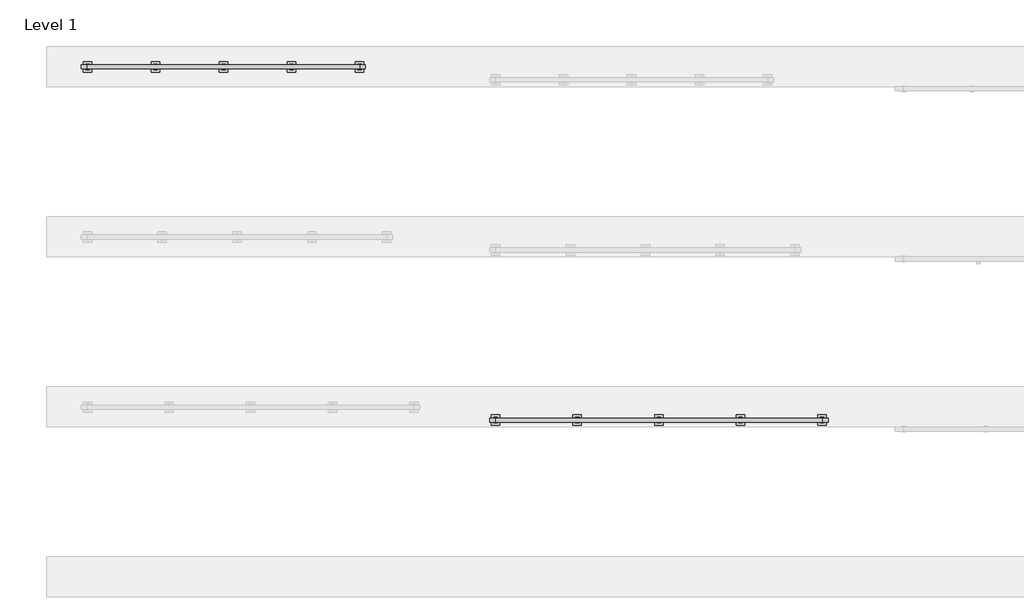
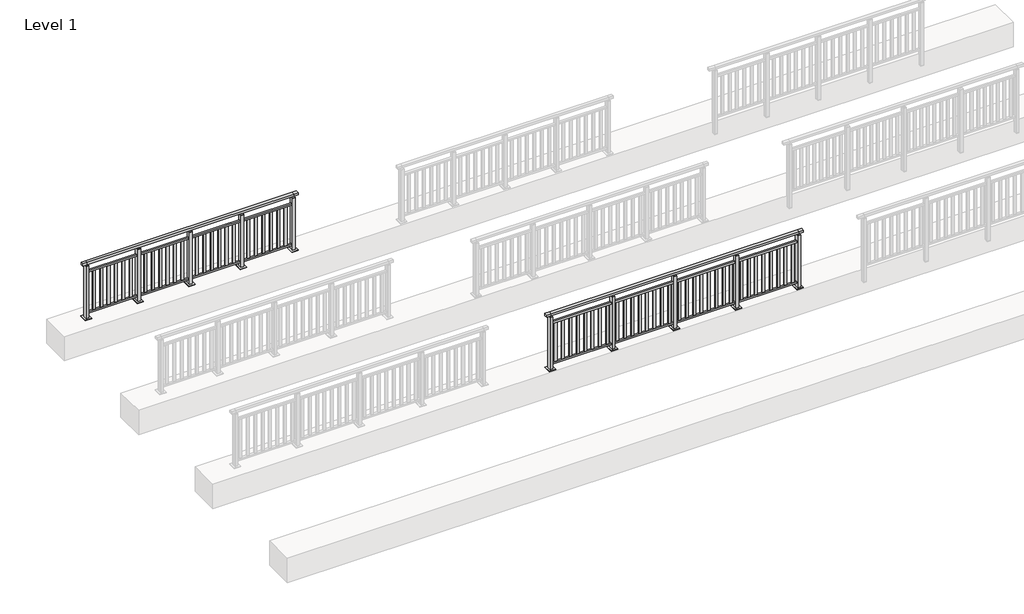
# One storey, part 23 of 38: 2 railings.
"""IFC4 building model written with IfcOpenShell, lengths in millimetres."""

from ifc_helpers import new_model, si_unit, frame, origin, origin_with_axes, place, context, project, spatial, polyline, outline, extrude, faceted_brep, element, save

model = new_model("IFC4")

# Units and contexts
model_context = context("Model", 3, world=origin())
ifc_project = project(units=[si_unit("LENGTHUNIT", "METRE", prefix="MILLI")], contexts=[model_context])

# Site, building, storey
site = spatial("IfcSite", under=ifc_project)
building = spatial("IfcBuilding", under=site)
storey = spatial("IfcBuildingStorey", under=building, Name="Level 1", Elevation=0.0)

# Railings
placement = place(None, origin())
element("IfcRailing", 1, at=placement, inside=storey, context=model_context, shape_type="SolidModel", body=[
    faceted_brep([(6000.0, 32530.1846828, 1102.5), (6000.0, 32530.1846828, 1150.0), (10800.0, 32530.1846828, 1150.0), (10800.0, 32530.1846828, 1102.5), (6000.0, 32470.1846828, 1102.5), (10800.0, 32470.1846828, 1102.5), (6000.0, 32470.1846828, 1150.0), (10800.0, 32470.1846828, 1150.0), (5912.5, 32530.1846828, 1150.0), (5912.5, 32530.1846828, 1102.5), (5912.5, 32470.1846828, 1102.5), (5912.5, 32470.1846828, 1150.0), (10887.5, 32530.1846828, 1150.0), (10887.5, 32470.1846828, 1150.0), (10887.5, 32470.1846828, 1102.5), (10887.5, 32530.1846828, 1102.5)], [[[0, 1, 2, 3]], [[4, 0, 3, 5]], [[6, 4, 5, 7]], [[1, 6, 7, 2]], [[8, 9, 10, 11]], [[9, 8, 1, 0]], [[10, 9, 0, 4]], [[11, 10, 4, 6]], [[8, 11, 6, 1]], [[12, 13, 14, 15]], [[3, 2, 12, 15]], [[5, 3, 15, 14]], [[7, 5, 14, 13]], [[2, 7, 13, 12]]]),
    extrude(outline(polyline([(6000.0, 32482.1846828), (6000.0, 32518.1846828), (10800.0, 32518.1846828), (10800.0, 32482.1846828), (6000.0, 32482.1846828)])), frame((0.0, 0.0, 928.0), z_axis=(0.0, 0.0, 1.0), x_axis=(1.0, 0.0, 0.0)), (0.0, 0.0, 1.0), 32.0),
    extrude(outline(polyline([(6000.0, 32482.1846828), (6000.0, 32518.1846828), (10800.0, 32518.1846828), (10800.0, 32482.1846828), (6000.0, 32482.1846828)])), frame((0.0, 0.0, 93.0), z_axis=(0.0, 0.0, 1.0), x_axis=(1.0, 0.0, 0.0)), (0.0, 0.0, 1.0), 32.0),
    extrude(outline(polyline([(10725.7345679, 32508.6846828), (10725.7345679, 32491.6846828), (10676.7345679, 32491.6846828), (10676.7345679, 32508.6846828), (10725.7345679, 32508.6846828)])), frame((0.0, 0.0, 125.0), z_axis=(0.0, 0.0, 1.0), x_axis=(1.0, 0.0, 0.0)), (0.0, 0.0, 1.0), 803.0),
    extrude(outline(polyline([(10582.5246914, 32508.6846828), (10582.5246914, 32491.6846828), (10533.5246914, 32491.6846828), (10533.5246914, 32508.6846828), (10582.5246914, 32508.6846828)])), frame((0.0, 0.0, 125.0), z_axis=(0.0, 0.0, 1.0), x_axis=(1.0, 0.0, 0.0)), (0.0, 0.0, 1.0), 803.0),
    extrude(outline(polyline([(10439.3148148, 32508.6846828), (10439.3148148, 32491.6846828), (10390.3148148, 32491.6846828), (10390.3148148, 32508.6846828), (10439.3148148, 32508.6846828)])), frame((0.0, 0.0, 125.0), z_axis=(0.0, 0.0, 1.0), x_axis=(1.0, 0.0, 0.0)), (0.0, 0.0, 1.0), 803.0),
    extrude(outline(polyline([(10296.1049383, 32508.6846828), (10296.1049383, 32491.6846828), (10247.1049383, 32491.6846828), (10247.1049383, 32508.6846828), (10296.1049383, 32508.6846828)])), frame((0.0, 0.0, 125.0), z_axis=(0.0, 0.0, 1.0), x_axis=(1.0, 0.0, 0.0)), (0.0, 0.0, 1.0), 803.0),
    extrude(outline(polyline([(10152.8950617, 32508.6846828), (10152.8950617, 32491.6846828), (10103.8950617, 32491.6846828), (10103.8950617, 32508.6846828), (10152.8950617, 32508.6846828)])), frame((0.0, 0.0, 125.0), z_axis=(0.0, 0.0, 1.0), x_axis=(1.0, 0.0, 0.0)), (0.0, 0.0, 1.0), 803.0),
    extrude(outline(polyline([(10009.6851852, 32508.6846828), (10009.6851852, 32491.6846828), (9960.6851852, 32491.6846828), (9960.6851852, 32508.6846828), (10009.6851852, 32508.6846828)])), frame((0.0, 0.0, 125.0), z_axis=(0.0, 0.0, 1.0), x_axis=(1.0, 0.0, 0.0)), (0.0, 0.0, 1.0), 803.0),
    extrude(outline(polyline([(9866.4753086, 32508.6846828), (9866.4753086, 32491.6846828), (9817.4753086, 32491.6846828), (9817.4753086, 32508.6846828), (9866.4753086, 32508.6846828)])), frame((0.0, 0.0, 125.0), z_axis=(0.0, 0.0, 1.0), x_axis=(1.0, 0.0, 0.0)), (0.0, 0.0, 1.0), 803.0),
    extrude(outline(polyline([(9723.2654321, 32508.6846828), (9723.2654321, 32491.6846828), (9674.2654321, 32491.6846828), (9674.2654321, 32508.6846828), (9723.2654321, 32508.6846828)])), frame((0.0, 0.0, 125.0), z_axis=(0.0, 0.0, 1.0), x_axis=(1.0, 0.0, 0.0)), (0.0, 0.0, 1.0), 803.0),
    extrude(outline(polyline([(9610.0, 32490.1846828), (9590.0, 32490.1846828), (9590.0, 32510.1846828), (9610.0, 32510.1846828), (9610.0, 32490.1846828)])), frame((0.0, 0.0, 1085.0), z_axis=(0.0, 0.0, 1.0), x_axis=(1.0, 0.0, 0.0)), (0.0, 0.0, 1.0), 20.0),
    extrude(outline(polyline([(9627.0, 32461.1846828), (9573.0, 32461.1846828), (9573.0, 32539.1846828), (9627.0, 32539.1846828), (9627.0, 32461.1846828)])), frame((0.0, 0.0, 1077.0), z_axis=(0.0, 0.0, 1.0), x_axis=(1.0, 0.0, 0.0)), (0.0, 0.0, 1.0), 8.0),
    extrude(outline(polyline([(9662.5, 32425.1846828), (9537.5, 32425.1846828), (9537.5, 32575.1846828), (9662.5, 32575.1846828), (9662.5, 32425.1846828)])), origin_with_axes(), (0.0, 0.0, 1.0), 12.0),
    extrude(outline(polyline([(9627.0, 32461.1846828), (9573.0, 32461.1846828), (9573.0, 32539.1846828), (9627.0, 32539.1846828), (9627.0, 32461.1846828)])), frame((0.0, 0.0, 12.0), z_axis=(0.0, 0.0, 1.0), x_axis=(1.0, 0.0, 0.0)), (0.0, 0.0, 1.0), 1065.0),
    extrude(outline(polyline([(9525.7345679, 32508.6846828), (9525.7345679, 32491.6846828), (9476.7345679, 32491.6846828), (9476.7345679, 32508.6846828), (9525.7345679, 32508.6846828)])), frame((0.0, 0.0, 125.0), z_axis=(0.0, 0.0, 1.0), x_axis=(1.0, 0.0, 0.0)), (0.0, 0.0, 1.0), 803.0),
    extrude(outline(polyline([(9382.5246914, 32508.6846828), (9382.5246914, 32491.6846828), (9333.5246914, 32491.6846828), (9333.5246914, 32508.6846828), (9382.5246914, 32508.6846828)])), frame((0.0, 0.0, 125.0), z_axis=(0.0, 0.0, 1.0), x_axis=(1.0, 0.0, 0.0)), (0.0, 0.0, 1.0), 803.0),
    extrude(outline(polyline([(9239.3148148, 32508.6846828), (9239.3148148, 32491.6846828), (9190.3148148, 32491.6846828), (9190.3148148, 32508.6846828), (9239.3148148, 32508.6846828)])), frame((0.0, 0.0, 125.0), z_axis=(0.0, 0.0, 1.0), x_axis=(1.0, 0.0, 0.0)), (0.0, 0.0, 1.0), 803.0),
    extrude(outline(polyline([(9096.1049383, 32508.6846828), (9096.1049383, 32491.6846828), (9047.1049383, 32491.6846828), (9047.1049383, 32508.6846828), (9096.1049383, 32508.6846828)])), frame((0.0, 0.0, 125.0), z_axis=(0.0, 0.0, 1.0), x_axis=(1.0, 0.0, 0.0)), (0.0, 0.0, 1.0), 803.0),
    extrude(outline(polyline([(8952.8950617, 32508.6846828), (8952.8950617, 32491.6846828), (8903.8950617, 32491.6846828), (8903.8950617, 32508.6846828), (8952.8950617, 32508.6846828)])), frame((0.0, 0.0, 125.0), z_axis=(0.0, 0.0, 1.0), x_axis=(1.0, 0.0, 0.0)), (0.0, 0.0, 1.0), 803.0),
    extrude(outline(polyline([(8809.6851852, 32508.6846828), (8809.6851852, 32491.6846828), (8760.6851852, 32491.6846828), (8760.6851852, 32508.6846828), (8809.6851852, 32508.6846828)])), frame((0.0, 0.0, 125.0), z_axis=(0.0, 0.0, 1.0), x_axis=(1.0, 0.0, 0.0)), (0.0, 0.0, 1.0), 803.0),
    extrude(outline(polyline([(8666.4753086, 32508.6846828), (8666.4753086, 32491.6846828), (8617.4753086, 32491.6846828), (8617.4753086, 32508.6846828), (8666.4753086, 32508.6846828)])), frame((0.0, 0.0, 125.0), z_axis=(0.0, 0.0, 1.0), x_axis=(1.0, 0.0, 0.0)), (0.0, 0.0, 1.0), 803.0),
    extrude(outline(polyline([(8523.2654321, 32508.6846828), (8523.2654321, 32491.6846828), (8474.2654321, 32491.6846828), (8474.2654321, 32508.6846828), (8523.2654321, 32508.6846828)])), frame((0.0, 0.0, 125.0), z_axis=(0.0, 0.0, 1.0), x_axis=(1.0, 0.0, 0.0)), (0.0, 0.0, 1.0), 803.0),
    extrude(outline(polyline([(8410.0, 32490.1846828), (8390.0, 32490.1846828), (8390.0, 32510.1846828), (8410.0, 32510.1846828), (8410.0, 32490.1846828)])), frame((0.0, 0.0, 1085.0), z_axis=(0.0, 0.0, 1.0), x_axis=(1.0, 0.0, 0.0)), (0.0, 0.0, 1.0), 20.0),
    extrude(outline(polyline([(8427.0, 32461.1846828), (8373.0, 32461.1846828), (8373.0, 32539.1846828), (8427.0, 32539.1846828), (8427.0, 32461.1846828)])), frame((0.0, 0.0, 1077.0), z_axis=(0.0, 0.0, 1.0), x_axis=(1.0, 0.0, 0.0)), (0.0, 0.0, 1.0), 8.0),
    extrude(outline(polyline([(8462.5, 32425.1846828), (8337.5, 32425.1846828), (8337.5, 32575.1846828), (8462.5, 32575.1846828), (8462.5, 32425.1846828)])), origin_with_axes(), (0.0, 0.0, 1.0), 12.0),
    extrude(outline(polyline([(8427.0, 32461.1846828), (8373.0, 32461.1846828), (8373.0, 32539.1846828), (8427.0, 32539.1846828), (8427.0, 32461.1846828)])), frame((0.0, 0.0, 12.0), z_axis=(0.0, 0.0, 1.0), x_axis=(1.0, 0.0, 0.0)), (0.0, 0.0, 1.0), 1065.0),
    extrude(outline(polyline([(8325.7345679, 32508.6846828), (8325.7345679, 32491.6846828), (8276.7345679, 32491.6846828), (8276.7345679, 32508.6846828), (8325.7345679, 32508.6846828)])), frame((0.0, 0.0, 125.0), z_axis=(0.0, 0.0, 1.0), x_axis=(1.0, 0.0, 0.0)), (0.0, 0.0, 1.0), 803.0),
    extrude(outline(polyline([(8182.5246914, 32508.6846828), (8182.5246914, 32491.6846828), (8133.5246914, 32491.6846828), (8133.5246914, 32508.6846828), (8182.5246914, 32508.6846828)])), frame((0.0, 0.0, 125.0), z_axis=(0.0, 0.0, 1.0), x_axis=(1.0, 0.0, 0.0)), (0.0, 0.0, 1.0), 803.0),
    extrude(outline(polyline([(8039.3148148, 32508.6846828), (8039.3148148, 32491.6846828), (7990.3148148, 32491.6846828), (7990.3148148, 32508.6846828), (8039.3148148, 32508.6846828)])), frame((0.0, 0.0, 125.0), z_axis=(0.0, 0.0, 1.0), x_axis=(1.0, 0.0, 0.0)), (0.0, 0.0, 1.0), 803.0),
    extrude(outline(polyline([(7896.1049383, 32508.6846828), (7896.1049383, 32491.6846828), (7847.1049383, 32491.6846828), (7847.1049383, 32508.6846828), (7896.1049383, 32508.6846828)])), frame((0.0, 0.0, 125.0), z_axis=(0.0, 0.0, 1.0), x_axis=(1.0, 0.0, 0.0)), (0.0, 0.0, 1.0), 803.0),
    extrude(outline(polyline([(7752.8950617, 32508.6846828), (7752.8950617, 32491.6846828), (7703.8950617, 32491.6846828), (7703.8950617, 32508.6846828), (7752.8950617, 32508.6846828)])), frame((0.0, 0.0, 125.0), z_axis=(0.0, 0.0, 1.0), x_axis=(1.0, 0.0, 0.0)), (0.0, 0.0, 1.0), 803.0),
    extrude(outline(polyline([(7609.6851852, 32508.6846828), (7609.6851852, 32491.6846828), (7560.6851852, 32491.6846828), (7560.6851852, 32508.6846828), (7609.6851852, 32508.6846828)])), frame((0.0, 0.0, 125.0), z_axis=(0.0, 0.0, 1.0), x_axis=(1.0, 0.0, 0.0)), (0.0, 0.0, 1.0), 803.0),
    extrude(outline(polyline([(7466.4753086, 32508.6846828), (7466.4753086, 32491.6846828), (7417.4753086, 32491.6846828), (7417.4753086, 32508.6846828), (7466.4753086, 32508.6846828)])), frame((0.0, 0.0, 125.0), z_axis=(0.0, 0.0, 1.0), x_axis=(1.0, 0.0, 0.0)), (0.0, 0.0, 1.0), 803.0),
    extrude(outline(polyline([(7323.2654321, 32508.6846828), (7323.2654321, 32491.6846828), (7274.2654321, 32491.6846828), (7274.2654321, 32508.6846828), (7323.2654321, 32508.6846828)])), frame((0.0, 0.0, 125.0), z_axis=(0.0, 0.0, 1.0), x_axis=(1.0, 0.0, 0.0)), (0.0, 0.0, 1.0), 803.0),
    extrude(outline(polyline([(7210.0, 32490.1846828), (7190.0, 32490.1846828), (7190.0, 32510.1846828), (7210.0, 32510.1846828), (7210.0, 32490.1846828)])), frame((0.0, 0.0, 1085.0), z_axis=(0.0, 0.0, 1.0), x_axis=(1.0, 0.0, 0.0)), (0.0, 0.0, 1.0), 20.0),
    extrude(outline(polyline([(7227.0, 32461.1846828), (7173.0, 32461.1846828), (7173.0, 32539.1846828), (7227.0, 32539.1846828), (7227.0, 32461.1846828)])), frame((0.0, 0.0, 1077.0), z_axis=(0.0, 0.0, 1.0), x_axis=(1.0, 0.0, 0.0)), (0.0, 0.0, 1.0), 8.0),
    extrude(outline(polyline([(7262.5, 32425.1846828), (7137.5, 32425.1846828), (7137.5, 32575.1846828), (7262.5, 32575.1846828), (7262.5, 32425.1846828)])), origin_with_axes(), (0.0, 0.0, 1.0), 12.0),
    extrude(outline(polyline([(7227.0, 32461.1846828), (7173.0, 32461.1846828), (7173.0, 32539.1846828), (7227.0, 32539.1846828), (7227.0, 32461.1846828)])), frame((0.0, 0.0, 12.0), z_axis=(0.0, 0.0, 1.0), x_axis=(1.0, 0.0, 0.0)), (0.0, 0.0, 1.0), 1065.0),
    extrude(outline(polyline([(7125.7345679, 32508.6846828), (7125.7345679, 32491.6846828), (7076.7345679, 32491.6846828), (7076.7345679, 32508.6846828), (7125.7345679, 32508.6846828)])), frame((0.0, 0.0, 125.0), z_axis=(0.0, 0.0, 1.0), x_axis=(1.0, 0.0, 0.0)), (0.0, 0.0, 1.0), 803.0),
    extrude(outline(polyline([(6982.5246914, 32508.6846828), (6982.5246914, 32491.6846828), (6933.5246914, 32491.6846828), (6933.5246914, 32508.6846828), (6982.5246914, 32508.6846828)])), frame((0.0, 0.0, 125.0), z_axis=(0.0, 0.0, 1.0), x_axis=(1.0, 0.0, 0.0)), (0.0, 0.0, 1.0), 803.0),
    extrude(outline(polyline([(6839.3148148, 32508.6846828), (6839.3148148, 32491.6846828), (6790.3148148, 32491.6846828), (6790.3148148, 32508.6846828), (6839.3148148, 32508.6846828)])), frame((0.0, 0.0, 125.0), z_axis=(0.0, 0.0, 1.0), x_axis=(1.0, 0.0, 0.0)), (0.0, 0.0, 1.0), 803.0),
    extrude(outline(polyline([(6696.1049383, 32508.6846828), (6696.1049383, 32491.6846828), (6647.1049383, 32491.6846828), (6647.1049383, 32508.6846828), (6696.1049383, 32508.6846828)])), frame((0.0, 0.0, 125.0), z_axis=(0.0, 0.0, 1.0), x_axis=(1.0, 0.0, 0.0)), (0.0, 0.0, 1.0), 803.0),
    extrude(outline(polyline([(6552.8950617, 32508.6846828), (6552.8950617, 32491.6846828), (6503.8950617, 32491.6846828), (6503.8950617, 32508.6846828), (6552.8950617, 32508.6846828)])), frame((0.0, 0.0, 125.0), z_axis=(0.0, 0.0, 1.0), x_axis=(1.0, 0.0, 0.0)), (0.0, 0.0, 1.0), 803.0),
    extrude(outline(polyline([(6409.6851852, 32508.6846828), (6409.6851852, 32491.6846828), (6360.6851852, 32491.6846828), (6360.6851852, 32508.6846828), (6409.6851852, 32508.6846828)])), frame((0.0, 0.0, 125.0), z_axis=(0.0, 0.0, 1.0), x_axis=(1.0, 0.0, 0.0)), (0.0, 0.0, 1.0), 803.0),
    extrude(outline(polyline([(6266.4753086, 32508.6846828), (6266.4753086, 32491.6846828), (6217.4753086, 32491.6846828), (6217.4753086, 32508.6846828), (6266.4753086, 32508.6846828)])), frame((0.0, 0.0, 125.0), z_axis=(0.0, 0.0, 1.0), x_axis=(1.0, 0.0, 0.0)), (0.0, 0.0, 1.0), 803.0),
    extrude(outline(polyline([(6123.2654321, 32508.6846828), (6123.2654321, 32491.6846828), (6074.2654321, 32491.6846828), (6074.2654321, 32508.6846828), (6123.2654321, 32508.6846828)])), frame((0.0, 0.0, 125.0), z_axis=(0.0, 0.0, 1.0), x_axis=(1.0, 0.0, 0.0)), (0.0, 0.0, 1.0), 803.0),
    extrude(outline(polyline([(10810.0, 32490.1846828), (10790.0, 32490.1846828), (10790.0, 32510.1846828), (10810.0, 32510.1846828), (10810.0, 32490.1846828)])), frame((0.0, 0.0, 1085.0), z_axis=(0.0, 0.0, 1.0), x_axis=(1.0, 0.0, 0.0)), (0.0, 0.0, 1.0), 20.0),
    extrude(outline(polyline([(10827.0, 32461.1846828), (10773.0, 32461.1846828), (10773.0, 32539.1846828), (10827.0, 32539.1846828), (10827.0, 32461.1846828)])), frame((0.0, 0.0, 1077.0), z_axis=(0.0, 0.0, 1.0), x_axis=(1.0, 0.0, 0.0)), (0.0, 0.0, 1.0), 8.0),
    extrude(outline(polyline([(10862.5, 32425.1846828), (10737.5, 32425.1846828), (10737.5, 32575.1846828), (10862.5, 32575.1846828), (10862.5, 32425.1846828)])), origin_with_axes(), (0.0, 0.0, 1.0), 12.0),
    extrude(outline(polyline([(10827.0, 32461.1846828), (10773.0, 32461.1846828), (10773.0, 32539.1846828), (10827.0, 32539.1846828), (10827.0, 32461.1846828)])), frame((0.0, 0.0, 12.0), z_axis=(0.0, 0.0, 1.0), x_axis=(1.0, 0.0, 0.0)), (0.0, 0.0, 1.0), 1065.0),
    extrude(outline(polyline([(6010.0, 32490.1846828), (5990.0, 32490.1846828), (5990.0, 32510.1846828), (6010.0, 32510.1846828), (6010.0, 32490.1846828)])), frame((0.0, 0.0, 1085.0), z_axis=(0.0, 0.0, 1.0), x_axis=(1.0, 0.0, 0.0)), (0.0, 0.0, 1.0), 20.0),
    extrude(outline(polyline([(6027.0, 32461.1846828), (5973.0, 32461.1846828), (5973.0, 32539.1846828), (6027.0, 32539.1846828), (6027.0, 32461.1846828)])), frame((0.0, 0.0, 1077.0), z_axis=(0.0, 0.0, 1.0), x_axis=(1.0, 0.0, 0.0)), (0.0, 0.0, 1.0), 8.0),
    extrude(outline(polyline([(6062.5, 32425.1846828), (5937.5, 32425.1846828), (5937.5, 32575.1846828), (6062.5, 32575.1846828), (6062.5, 32425.1846828)])), origin_with_axes(), (0.0, 0.0, 1.0), 12.0),
    extrude(outline(polyline([(6027.0, 32461.1846828), (5973.0, 32461.1846828), (5973.0, 32539.1846828), (6027.0, 32539.1846828), (6027.0, 32461.1846828)])), frame((0.0, 0.0, 12.0), z_axis=(0.0, 0.0, 1.0), x_axis=(1.0, 0.0, 0.0)), (0.0, 0.0, 1.0), 1065.0),
])
element("IfcRailing", 2, at=placement, inside=storey, context=model_context, shape_type="SolidModel", body=[
    faceted_brep([(0.0, 37720.1846828, 1102.5), (0.0, 37720.1846828, 1150.0), (4000.0, 37720.1846828, 1150.0), (4000.0, 37720.1846828, 1102.5), (0.0, 37660.1846828, 1102.5), (4000.0, 37660.1846828, 1102.5), (0.0, 37660.1846828, 1150.0), (4000.0, 37660.1846828, 1150.0), (-87.5, 37720.1846828, 1150.0), (-87.5, 37720.1846828, 1102.5), (-87.5, 37660.1846828, 1102.5), (-87.5, 37660.1846828, 1150.0), (4087.5, 37720.1846828, 1150.0), (4087.5, 37660.1846828, 1150.0), (4087.5, 37660.1846828, 1102.5), (4087.5, 37720.1846828, 1102.5)], [[[0, 1, 2, 3]], [[4, 0, 3, 5]], [[6, 4, 5, 7]], [[1, 6, 7, 2]], [[8, 9, 10, 11]], [[9, 8, 1, 0]], [[10, 9, 0, 4]], [[11, 10, 4, 6]], [[8, 11, 6, 1]], [[12, 13, 14, 15]], [[3, 2, 12, 15]], [[5, 3, 15, 14]], [[7, 5, 14, 13]], [[2, 7, 13, 12]]]),
    extrude(outline(polyline([(0.0, 37672.1846828), (0.0, 37708.1846828), (4000.0, 37708.1846828), (4000.0, 37672.1846828), (0.0, 37672.1846828)])), frame((0.0, 0.0, 928.0), z_axis=(0.0, 0.0, 1.0), x_axis=(1.0, 0.0, 0.0)), (0.0, 0.0, 1.0), 32.0),
    extrude(outline(polyline([(0.0, 37672.1846828), (0.0, 37708.1846828), (4000.0, 37708.1846828), (4000.0, 37672.1846828), (0.0, 37672.1846828)])), frame((0.0, 0.0, 93.0), z_axis=(0.0, 0.0, 1.0), x_axis=(1.0, 0.0, 0.0)), (0.0, 0.0, 1.0), 32.0),
    extrude(outline(polyline([(3884.480139, 37698.6846828), (3884.480139, 37681.6846828), (3835.480139, 37681.6846828), (3835.480139, 37698.6846828), (3884.480139, 37698.6846828)])), frame((0.0, 0.0, 125.0), z_axis=(0.0, 0.0, 1.0), x_axis=(1.0, 0.0, 0.0)), (0.0, 0.0, 1.0), 803.0),
    extrude(outline(polyline([(3740.4880834, 37698.6846828), (3740.4880834, 37681.6846828), (3691.4880834, 37681.6846828), (3691.4880834, 37698.6846828), (3740.4880834, 37698.6846828)])), frame((0.0, 0.0, 125.0), z_axis=(0.0, 0.0, 1.0), x_axis=(1.0, 0.0, 0.0)), (0.0, 0.0, 1.0), 803.0),
    extrude(outline(polyline([(3596.4960278, 37698.6846828), (3596.4960278, 37681.6846828), (3547.4960278, 37681.6846828), (3547.4960278, 37698.6846828), (3596.4960278, 37698.6846828)])), frame((0.0, 0.0, 125.0), z_axis=(0.0, 0.0, 1.0), x_axis=(1.0, 0.0, 0.0)), (0.0, 0.0, 1.0), 803.0),
    extrude(outline(polyline([(3452.5039722, 37698.6846828), (3452.5039722, 37681.6846828), (3403.5039722, 37681.6846828), (3403.5039722, 37698.6846828), (3452.5039722, 37698.6846828)])), frame((0.0, 0.0, 125.0), z_axis=(0.0, 0.0, 1.0), x_axis=(1.0, 0.0, 0.0)), (0.0, 0.0, 1.0), 803.0),
    extrude(outline(polyline([(3308.5119166, 37698.6846828), (3308.5119166, 37681.6846828), (3259.5119166, 37681.6846828), (3259.5119166, 37698.6846828), (3308.5119166, 37698.6846828)])), frame((0.0, 0.0, 125.0), z_axis=(0.0, 0.0, 1.0), x_axis=(1.0, 0.0, 0.0)), (0.0, 0.0, 1.0), 803.0),
    extrude(outline(polyline([(3164.519861, 37698.6846828), (3164.519861, 37681.6846828), (3115.519861, 37681.6846828), (3115.519861, 37698.6846828), (3164.519861, 37698.6846828)])), frame((0.0, 0.0, 125.0), z_axis=(0.0, 0.0, 1.0), x_axis=(1.0, 0.0, 0.0)), (0.0, 0.0, 1.0), 803.0),
    extrude(outline(polyline([(3010.0, 37680.1846828), (2990.0, 37680.1846828), (2990.0, 37700.1846828), (3010.0, 37700.1846828), (3010.0, 37680.1846828)])), frame((0.0, 0.0, 1085.0), z_axis=(0.0, 0.0, 1.0), x_axis=(1.0, 0.0, 0.0)), (0.0, 0.0, 1.0), 20.0),
    extrude(outline(polyline([(3027.0, 37651.1846828), (2973.0, 37651.1846828), (2973.0, 37729.1846828), (3027.0, 37729.1846828), (3027.0, 37651.1846828)])), frame((0.0, 0.0, 1077.0), z_axis=(0.0, 0.0, 1.0), x_axis=(1.0, 0.0, 0.0)), (0.0, 0.0, 1.0), 8.0),
    extrude(outline(polyline([(3062.5, 37615.1846828), (2937.5, 37615.1846828), (2937.5, 37765.1846828), (3062.5, 37765.1846828), (3062.5, 37615.1846828)])), origin_with_axes(), (0.0, 0.0, 1.0), 12.0),
    extrude(outline(polyline([(3027.0, 37651.1846828), (2973.0, 37651.1846828), (2973.0, 37729.1846828), (3027.0, 37729.1846828), (3027.0, 37651.1846828)])), frame((0.0, 0.0, 12.0), z_axis=(0.0, 0.0, 1.0), x_axis=(1.0, 0.0, 0.0)), (0.0, 0.0, 1.0), 1065.0),
    extrude(outline(polyline([(2884.480139, 37698.6846828), (2884.480139, 37681.6846828), (2835.480139, 37681.6846828), (2835.480139, 37698.6846828), (2884.480139, 37698.6846828)])), frame((0.0, 0.0, 125.0), z_axis=(0.0, 0.0, 1.0), x_axis=(1.0, 0.0, 0.0)), (0.0, 0.0, 1.0), 803.0),
    extrude(outline(polyline([(2740.4880834, 37698.6846828), (2740.4880834, 37681.6846828), (2691.4880834, 37681.6846828), (2691.4880834, 37698.6846828), (2740.4880834, 37698.6846828)])), frame((0.0, 0.0, 125.0), z_axis=(0.0, 0.0, 1.0), x_axis=(1.0, 0.0, 0.0)), (0.0, 0.0, 1.0), 803.0),
    extrude(outline(polyline([(2596.4960278, 37698.6846828), (2596.4960278, 37681.6846828), (2547.4960278, 37681.6846828), (2547.4960278, 37698.6846828), (2596.4960278, 37698.6846828)])), frame((0.0, 0.0, 125.0), z_axis=(0.0, 0.0, 1.0), x_axis=(1.0, 0.0, 0.0)), (0.0, 0.0, 1.0), 803.0),
    extrude(outline(polyline([(2452.5039722, 37698.6846828), (2452.5039722, 37681.6846828), (2403.5039722, 37681.6846828), (2403.5039722, 37698.6846828), (2452.5039722, 37698.6846828)])), frame((0.0, 0.0, 125.0), z_axis=(0.0, 0.0, 1.0), x_axis=(1.0, 0.0, 0.0)), (0.0, 0.0, 1.0), 803.0),
    extrude(outline(polyline([(2308.5119166, 37698.6846828), (2308.5119166, 37681.6846828), (2259.5119166, 37681.6846828), (2259.5119166, 37698.6846828), (2308.5119166, 37698.6846828)])), frame((0.0, 0.0, 125.0), z_axis=(0.0, 0.0, 1.0), x_axis=(1.0, 0.0, 0.0)), (0.0, 0.0, 1.0), 803.0),
    extrude(outline(polyline([(2164.519861, 37698.6846828), (2164.519861, 37681.6846828), (2115.519861, 37681.6846828), (2115.519861, 37698.6846828), (2164.519861, 37698.6846828)])), frame((0.0, 0.0, 125.0), z_axis=(0.0, 0.0, 1.0), x_axis=(1.0, 0.0, 0.0)), (0.0, 0.0, 1.0), 803.0),
    extrude(outline(polyline([(2010.0, 37680.1846828), (1990.0, 37680.1846828), (1990.0, 37700.1846828), (2010.0, 37700.1846828), (2010.0, 37680.1846828)])), frame((0.0, 0.0, 1085.0), z_axis=(0.0, 0.0, 1.0), x_axis=(1.0, 0.0, 0.0)), (0.0, 0.0, 1.0), 20.0),
    extrude(outline(polyline([(2027.0, 37651.1846828), (1973.0, 37651.1846828), (1973.0, 37729.1846828), (2027.0, 37729.1846828), (2027.0, 37651.1846828)])), frame((0.0, 0.0, 1077.0), z_axis=(0.0, 0.0, 1.0), x_axis=(1.0, 0.0, 0.0)), (0.0, 0.0, 1.0), 8.0),
    extrude(outline(polyline([(2062.5, 37615.1846828), (1937.5, 37615.1846828), (1937.5, 37765.1846828), (2062.5, 37765.1846828), (2062.5, 37615.1846828)])), origin_with_axes(), (0.0, 0.0, 1.0), 12.0),
    extrude(outline(polyline([(2027.0, 37651.1846828), (1973.0, 37651.1846828), (1973.0, 37729.1846828), (2027.0, 37729.1846828), (2027.0, 37651.1846828)])), frame((0.0, 0.0, 12.0), z_axis=(0.0, 0.0, 1.0), x_axis=(1.0, 0.0, 0.0)), (0.0, 0.0, 1.0), 1065.0),
    extrude(outline(polyline([(1884.480139, 37698.6846828), (1884.480139, 37681.6846828), (1835.480139, 37681.6846828), (1835.480139, 37698.6846828), (1884.480139, 37698.6846828)])), frame((0.0, 0.0, 125.0), z_axis=(0.0, 0.0, 1.0), x_axis=(1.0, 0.0, 0.0)), (0.0, 0.0, 1.0), 803.0),
    extrude(outline(polyline([(1740.4880834, 37698.6846828), (1740.4880834, 37681.6846828), (1691.4880834, 37681.6846828), (1691.4880834, 37698.6846828), (1740.4880834, 37698.6846828)])), frame((0.0, 0.0, 125.0), z_axis=(0.0, 0.0, 1.0), x_axis=(1.0, 0.0, 0.0)), (0.0, 0.0, 1.0), 803.0),
    extrude(outline(polyline([(1596.4960278, 37698.6846828), (1596.4960278, 37681.6846828), (1547.4960278, 37681.6846828), (1547.4960278, 37698.6846828), (1596.4960278, 37698.6846828)])), frame((0.0, 0.0, 125.0), z_axis=(0.0, 0.0, 1.0), x_axis=(1.0, 0.0, 0.0)), (0.0, 0.0, 1.0), 803.0),
    extrude(outline(polyline([(1452.5039722, 37698.6846828), (1452.5039722, 37681.6846828), (1403.5039722, 37681.6846828), (1403.5039722, 37698.6846828), (1452.5039722, 37698.6846828)])), frame((0.0, 0.0, 125.0), z_axis=(0.0, 0.0, 1.0), x_axis=(1.0, 0.0, 0.0)), (0.0, 0.0, 1.0), 803.0),
    extrude(outline(polyline([(1308.5119166, 37698.6846828), (1308.5119166, 37681.6846828), (1259.5119166, 37681.6846828), (1259.5119166, 37698.6846828), (1308.5119166, 37698.6846828)])), frame((0.0, 0.0, 125.0), z_axis=(0.0, 0.0, 1.0), x_axis=(1.0, 0.0, 0.0)), (0.0, 0.0, 1.0), 803.0),
    extrude(outline(polyline([(1164.519861, 37698.6846828), (1164.519861, 37681.6846828), (1115.519861, 37681.6846828), (1115.519861, 37698.6846828), (1164.519861, 37698.6846828)])), frame((0.0, 0.0, 125.0), z_axis=(0.0, 0.0, 1.0), x_axis=(1.0, 0.0, 0.0)), (0.0, 0.0, 1.0), 803.0),
    extrude(outline(polyline([(1010.0, 37680.1846828), (990.0, 37680.1846828), (990.0, 37700.1846828), (1010.0, 37700.1846828), (1010.0, 37680.1846828)])), frame((0.0, 0.0, 1085.0), z_axis=(0.0, 0.0, 1.0), x_axis=(1.0, 0.0, 0.0)), (0.0, 0.0, 1.0), 20.0),
    extrude(outline(polyline([(1027.0, 37651.1846828), (973.0, 37651.1846828), (973.0, 37729.1846828), (1027.0, 37729.1846828), (1027.0, 37651.1846828)])), frame((0.0, 0.0, 1077.0), z_axis=(0.0, 0.0, 1.0), x_axis=(1.0, 0.0, 0.0)), (0.0, 0.0, 1.0), 8.0),
    extrude(outline(polyline([(1062.5, 37615.1846828), (937.5, 37615.1846828), (937.5, 37765.1846828), (1062.5, 37765.1846828), (1062.5, 37615.1846828)])), origin_with_axes(), (0.0, 0.0, 1.0), 12.0),
    extrude(outline(polyline([(1027.0, 37651.1846828), (973.0, 37651.1846828), (973.0, 37729.1846828), (1027.0, 37729.1846828), (1027.0, 37651.1846828)])), frame((0.0, 0.0, 12.0), z_axis=(0.0, 0.0, 1.0), x_axis=(1.0, 0.0, 0.0)), (0.0, 0.0, 1.0), 1065.0),
    extrude(outline(polyline([(884.480139, 37698.6846828), (884.480139, 37681.6846828), (835.480139, 37681.6846828), (835.480139, 37698.6846828), (884.480139, 37698.6846828)])), frame((0.0, 0.0, 125.0), z_axis=(0.0, 0.0, 1.0), x_axis=(1.0, 0.0, 0.0)), (0.0, 0.0, 1.0), 803.0),
    extrude(outline(polyline([(740.4880834, 37698.6846828), (740.4880834, 37681.6846828), (691.4880834, 37681.6846828), (691.4880834, 37698.6846828), (740.4880834, 37698.6846828)])), frame((0.0, 0.0, 125.0), z_axis=(0.0, 0.0, 1.0), x_axis=(1.0, 0.0, 0.0)), (0.0, 0.0, 1.0), 803.0),
    extrude(outline(polyline([(596.4960278, 37698.6846828), (596.4960278, 37681.6846828), (547.4960278, 37681.6846828), (547.4960278, 37698.6846828), (596.4960278, 37698.6846828)])), frame((0.0, 0.0, 125.0), z_axis=(0.0, 0.0, 1.0), x_axis=(1.0, 0.0, 0.0)), (0.0, 0.0, 1.0), 803.0),
    extrude(outline(polyline([(452.5039722, 37698.6846828), (452.5039722, 37681.6846828), (403.5039722, 37681.6846828), (403.5039722, 37698.6846828), (452.5039722, 37698.6846828)])), frame((0.0, 0.0, 125.0), z_axis=(0.0, 0.0, 1.0), x_axis=(1.0, 0.0, 0.0)), (0.0, 0.0, 1.0), 803.0),
    extrude(outline(polyline([(308.5119166, 37698.6846828), (308.5119166, 37681.6846828), (259.5119166, 37681.6846828), (259.5119166, 37698.6846828), (308.5119166, 37698.6846828)])), frame((0.0, 0.0, 125.0), z_axis=(0.0, 0.0, 1.0), x_axis=(1.0, 0.0, 0.0)), (0.0, 0.0, 1.0), 803.0),
    extrude(outline(polyline([(164.519861, 37698.6846828), (164.519861, 37681.6846828), (115.519861, 37681.6846828), (115.519861, 37698.6846828), (164.519861, 37698.6846828)])), frame((0.0, 0.0, 125.0), z_axis=(0.0, 0.0, 1.0), x_axis=(1.0, 0.0, 0.0)), (0.0, 0.0, 1.0), 803.0),
    extrude(outline(polyline([(4010.0, 37680.1846828), (3990.0, 37680.1846828), (3990.0, 37700.1846828), (4010.0, 37700.1846828), (4010.0, 37680.1846828)])), frame((0.0, 0.0, 1085.0), z_axis=(0.0, 0.0, 1.0), x_axis=(1.0, 0.0, 0.0)), (0.0, 0.0, 1.0), 20.0),
    extrude(outline(polyline([(4027.0, 37651.1846828), (3973.0, 37651.1846828), (3973.0, 37729.1846828), (4027.0, 37729.1846828), (4027.0, 37651.1846828)])), frame((0.0, 0.0, 1077.0), z_axis=(0.0, 0.0, 1.0), x_axis=(1.0, 0.0, 0.0)), (0.0, 0.0, 1.0), 8.0),
    extrude(outline(polyline([(4062.5, 37615.1846828), (3937.5, 37615.1846828), (3937.5, 37765.1846828), (4062.5, 37765.1846828), (4062.5, 37615.1846828)])), origin_with_axes(), (0.0, 0.0, 1.0), 12.0),
    extrude(outline(polyline([(4027.0, 37651.1846828), (3973.0, 37651.1846828), (3973.0, 37729.1846828), (4027.0, 37729.1846828), (4027.0, 37651.1846828)])), frame((0.0, 0.0, 12.0), z_axis=(0.0, 0.0, 1.0), x_axis=(1.0, 0.0, 0.0)), (0.0, 0.0, 1.0), 1065.0),
    extrude(outline(polyline([(10.0, 37680.1846828), (-10.0, 37680.1846828), (-10.0, 37700.1846828), (10.0, 37700.1846828), (10.0, 37680.1846828)])), frame((0.0, 0.0, 1085.0), z_axis=(0.0, 0.0, 1.0), x_axis=(1.0, 0.0, 0.0)), (0.0, 0.0, 1.0), 20.0),
    extrude(outline(polyline([(27.0, 37651.1846828), (-27.0, 37651.1846828), (-27.0, 37729.1846828), (27.0, 37729.1846828), (27.0, 37651.1846828)])), frame((0.0, 0.0, 1077.0), z_axis=(0.0, 0.0, 1.0), x_axis=(1.0, 0.0, 0.0)), (0.0, 0.0, 1.0), 8.0),
    extrude(outline(polyline([(62.5, 37615.1846828), (-62.5, 37615.1846828), (-62.5, 37765.1846828), (62.5, 37765.1846828), (62.5, 37615.1846828)])), origin_with_axes(), (0.0, 0.0, 1.0), 12.0),
    extrude(outline(polyline([(27.0, 37651.1846828), (-27.0, 37651.1846828), (-27.0, 37729.1846828), (27.0, 37729.1846828), (27.0, 37651.1846828)])), frame((0.0, 0.0, 12.0), z_axis=(0.0, 0.0, 1.0), x_axis=(1.0, 0.0, 0.0)), (0.0, 0.0, 1.0), 1065.0),
])

save(model, "model.ifc")
